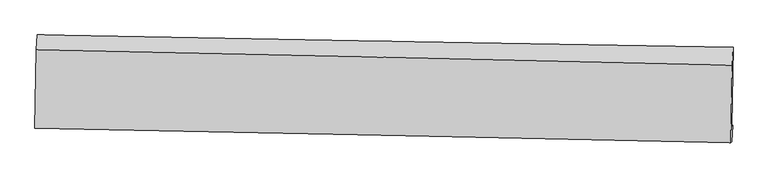
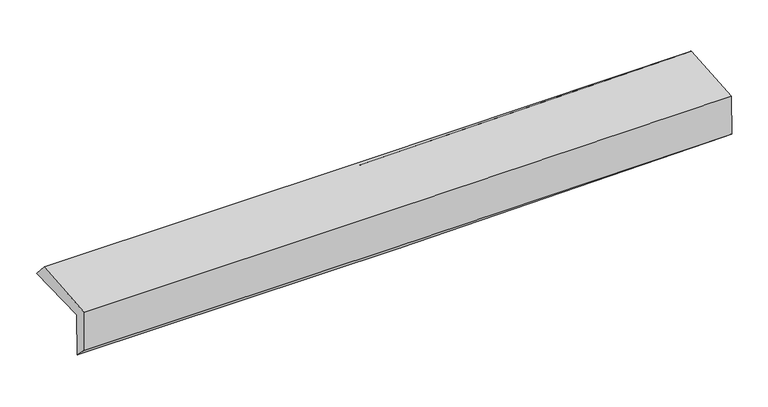
"""IFC4 building model written with IfcOpenShell, lengths in millimetres: proxy geometry."""

import ifcopenshell
import ifcopenshell.guid

model = None  # the IFC model being written
_history = None  # IfcOwnerHistory: only IFC2X3 demands one
_inside = {}  # id of a spatial element -> (the spatial element, [elements in it])
_under = {}  # id of a project, library or spatial element -> (it, [spatial elements below it])
_declared = {}  # id of a project -> (the project, [libraries it declares])
_typed = {}  # id of a type object -> (the type object, [elements of that type])
_made_of = {}  # id of a material, layer set ... -> (it, [elements and type objects made of it])


def new_model(schema):
    """Start an empty IFC model of exactly this schema.

    Asked for "IFC4X3", IfcOpenShell would pick the latest addendum, in which some entities
    have other attributes; the version numbers below select the first issue.
    IFC2X3 requires an IfcOwnerHistory on every rooted entity: one is made here for all.
    """
    global model, _history
    if schema == "IFC4X3":
        model = ifcopenshell.file(schema_version=(4, 3, 0, 0))
    else:
        model = ifcopenshell.file(schema=schema)
    _inside.clear()
    _under.clear()
    _declared.clear()
    _typed.clear()
    _made_of.clear()
    _history = None
    if model.schema == "IFC2X3":
        org = make("IfcOrganization", Name="unknown")
        user = make(
            "IfcPersonAndOrganization",
            ThePerson=make("IfcPerson", FamilyName="unknown"),
            TheOrganization=org,
        )
        app = make(
            "IfcApplication",
            ApplicationDeveloper=org,
            Version="unknown",
            ApplicationFullName="unknown",
            ApplicationIdentifier="unknown",
        )
        _history = make(
            "IfcOwnerHistory",
            OwningUser=user,
            OwningApplication=app,
            ChangeAction="ADDED",
            CreationDate=0,
        )
    return model


def make(cls, **values):
    """One entity of the class cls with the attributes given. An attribute that is None is left unset."""
    return model.create_entity(
        cls, **{name: value for name, value in values.items() if value is not None}
    )


def rooted(cls, **values):
    """An entity with a GlobalId (a new one), such as an element, a storey or a relation."""
    return make(cls, GlobalId=ifcopenshell.guid.new(), OwnerHistory=_history, **values)


def si_unit(unit_type, name, prefix=None):
    """IfcSIUnit, for example si_unit("LENGTHUNIT", "METRE", prefix="MILLI")."""
    return make("IfcSIUnit", UnitType=unit_type, Prefix=prefix, Name=name)


def assignment(units):
    """IfcUnitAssignment: the units of a project."""
    return None if units is None else make("IfcUnitAssignment", Units=units)


def point(xyz):
    """IfcCartesianPoint."""
    return None if xyz is None else make("IfcCartesianPoint", Coordinates=xyz)


def direction(xyz):
    """IfcDirection."""
    return None if xyz is None else make("IfcDirection", DirectionRatios=xyz)


def frame(location, z_axis=None, x_axis=None):
    """IfcAxis2Placement3D, a coordinate frame: its origin and axes. An axis left out is left unset."""
    return make(
        "IfcAxis2Placement3D",
        Location=point(location),
        Axis=direction(z_axis),
        RefDirection=direction(x_axis),
    )


def origin():
    """The frame at (0, 0, 0) with its axes left unset."""
    return frame((0.0, 0.0, 0.0))


def place(relative_to, where):
    """IfcLocalPlacement: puts the frame where relative to a parent placement (None: the world)."""
    return make(
        "IfcLocalPlacement", PlacementRelTo=relative_to, RelativePlacement=where
    )


def context(
    kind, dimensions, precision=None, world=None, true_north=None, identifier=None
):
    """IfcGeometricRepresentationContext, for example the 3D "Model" context."""
    return make(
        "IfcGeometricRepresentationContext",
        ContextIdentifier=identifier,
        ContextType=kind,
        CoordinateSpaceDimension=dimensions,
        Precision=precision,
        WorldCoordinateSystem=world,
        TrueNorth=true_north,
    )


def project(units=None, contexts=None):
    """IfcProject with its units and contexts."""
    return rooted(
        "IfcProject",
        Name="project",
        RepresentationContexts=contexts,
        UnitsInContext=assignment(units),
    )


def spatial(cls, under=None, at=None, **own):
    """A site, building, storey or space (cls), placed at a placement, below another one or the project."""
    s = rooted(cls, ObjectPlacement=at, **own)
    if under is not None:
        _under.setdefault(under.id(), (under, []))[1].append(s)
    return s


def shape(context_of_items, identifier, shape_type, items):
    """IfcShapeRepresentation: the items that make up one representation, for example the "Body"."""
    return make(
        "IfcShapeRepresentation",
        ContextOfItems=context_of_items,
        RepresentationIdentifier=identifier,
        RepresentationType=shape_type,
        Items=items,
    )


def source(mapping_origin, context_of_items, identifier, shape_type, items):
    """IfcRepresentationMap: a shape defined once, which mapped items show again and again."""
    return make(
        "IfcRepresentationMap",
        MappingOrigin=mapping_origin,
        MappedRepresentation=shape(context_of_items, identifier, shape_type, items),
    )


def transform(
    local_origin,
    x_axis=None,
    y_axis=None,
    z_axis=None,
    scale=None,
    scale2=None,
    scale3=None,
    uniform=True,
):
    """IfcCartesianTransformationOperator3D, or its non-uniform kind. x_axis, y_axis, z_axis: its Axis1, 2, 3."""
    if uniform:
        return make(
            "IfcCartesianTransformationOperator3D",
            Axis1=direction(x_axis),
            Axis2=direction(y_axis),
            LocalOrigin=point(local_origin),
            Scale=scale,
            Axis3=direction(z_axis),
        )
    return make(
        "IfcCartesianTransformationOperator3DnonUniform",
        Axis1=direction(x_axis),
        Axis2=direction(y_axis),
        LocalOrigin=point(local_origin),
        Scale=scale,
        Axis3=direction(z_axis),
        Scale2=scale2,
        Scale3=scale3,
    )


def mapped(mapping_source, mapping_target):
    """IfcMappedItem: shows the shape of a source again, moved by a transform."""
    return make(
        "IfcMappedItem", MappingSource=mapping_source, MappingTarget=mapping_target
    )


def made_of(thing, what):
    """Note that an element or type object is made of a material, layer set ...; save() writes the relation."""
    if what is not None:
        _made_of.setdefault(what.id(), (what, []))[1].append(thing)
    return thing


def element(
    cls,
    number,
    at=None,
    inside=None,
    cuts=None,
    type_object=None,
    material=None,
    context=None,
    identifier="Body",
    shape_type=None,
    held_by="IfcProductDefinitionShape",
    body=None,
    shapes=None,
    **own,
):
    """One element of the class cls, such as IfcWall. Its Tag is "e" and its number.

    at: its placement. inside: the storey or other place that contains it. cuts: it is an
    opening in that element (IfcRelVoidsElement). A single representation is given by context,
    identifier, shape_type and body (its items); several are given by shapes. held_by: the class
    of the entity that holds the representations. save() writes the other relations.
    """
    e = rooted(cls, Tag="e%d" % number, ObjectPlacement=at, **own)
    if body is not None:
        shapes = [shape(context, identifier, shape_type, body)]
    if shapes is not None:
        e.Representation = make(held_by, Representations=shapes)
    if inside is not None:
        _inside.setdefault(inside.id(), (inside, []))[1].append(e)
    if cuts is not None:
        rooted(
            "IfcRelVoidsElement", RelatingBuildingElement=cuts, RelatedOpeningElement=e
        )
    if type_object is not None:
        _typed.setdefault(type_object.id(), (type_object, []))[1].append(e)
    return made_of(e, material)


def aggregate(whole, parts):
    """IfcRelAggregates: a whole, such as a stair, and the parts it consists of."""
    return rooted("IfcRelAggregates", RelatingObject=whole, RelatedObjects=parts)


def save(model, path):
    """Write the relations noted so far, then the file.

    IfcRelAggregates (storeys below a building ...), IfcRelContainedInSpatialStructure (elements
    in a storey), IfcRelDefinesByType, IfcRelAssociatesMaterial and IfcRelDeclares: one each for
    every whole, place, type object, material and project.
    """
    for whole, parts in _under.values():
        aggregate(whole, parts)
    for where, things in _inside.values():
        rooted(
            "IfcRelContainedInSpatialStructure",
            RelatedElements=things,
            RelatingStructure=where,
        )
    for kind, things in _typed.values():
        rooted("IfcRelDefinesByType", RelatedObjects=things, RelatingType=kind)
    for what, things in _made_of.values():
        rooted("IfcRelAssociatesMaterial", RelatedObjects=things, RelatingMaterial=what)
    for by, libraries in _declared.values():
        rooted("IfcRelDeclares", RelatingContext=by, RelatedDefinitions=libraries)
    model.write(path)


def plane_surface(at):
    """IfcPlane: the flat surface through the origin of the frame at, square to its z axis."""
    return make("IfcPlane", Position=at)


def spline_curve(degree, points, multiplicities, knots, weights=None):
    """IfcBSplineCurveWithKnots; with weights, IfcRationalBSplineCurveWithKnots."""
    own = dict(
        Degree=degree,
        ControlPointsList=[point(p) for p in points],
        CurveForm="UNSPECIFIED",
        ClosedCurve=False,
        SelfIntersect=False,
        KnotMultiplicities=multiplicities,
        Knots=knots,
        KnotSpec="UNSPECIFIED",
    )
    if weights is None:
        return make("IfcBSplineCurveWithKnots", **own)
    return make("IfcRationalBSplineCurveWithKnots", WeightsData=weights, **own)


def spline_surface(u_degree, v_degree, points, u_multiplicities, v_multiplicities, u_knots, v_knots, weights=None):
    """IfcBSplineSurfaceWithKnots; with weights, IfcRationalBSplineSurfaceWithKnots. points: one row for each step in u."""
    own = dict(
        UDegree=u_degree,
        VDegree=v_degree,
        ControlPointsList=[[point(p) for p in row] for row in points],
        SurfaceForm="UNSPECIFIED",
        UClosed=False,
        VClosed=False,
        SelfIntersect=False,
        UMultiplicities=u_multiplicities,
        VMultiplicities=v_multiplicities,
        UKnots=u_knots,
        VKnots=v_knots,
        KnotSpec="UNSPECIFIED",
    )
    if weights is None:
        return make("IfcBSplineSurfaceWithKnots", **own)
    return make("IfcRationalBSplineSurfaceWithKnots", WeightsData=weights, **own)


def advanced_brep(points, edges, surfaces, faces):
    """IfcAdvancedBrep: a solid bounded by faces that lie on surfaces and meet in shared edges.

    An edge is (start, end): straight between two places in points (the first is 0);
    or (start, end, curve); or (start, end, curve, False) where it runs against its curve.
    A face is (place in surfaces, loops), or (place, loops, False) where it looks against
    its surface's normal. A loop lists edges by number (the first is 1), with a minus sign
    where the edge is run from its end to its start. The first loop is the outer one.
    """
    corners = [point(p) for p in points]
    vertices = [make("IfcVertexPoint", VertexGeometry=c) for c in corners]
    made = []
    for start, end, *more in edges:
        made.append(
            make(
                "IfcEdgeCurve",
                EdgeStart=vertices[start],
                EdgeEnd=vertices[end],
                EdgeGeometry=more[0] if more else make("IfcPolyline", Points=[corners[start], corners[end]]),
                SameSense=more[1] if len(more) > 1 else True,
            )
        )
    hull = []
    for where, loops, *sense in faces:
        bounds = []
        for j, loop in enumerate(loops):
            ring = [make("IfcOrientedEdge", EdgeElement=made[abs(k) - 1], Orientation=k > 0) for k in loop]
            bounds.append(
                make(
                    "IfcFaceOuterBound" if j == 0 else "IfcFaceBound",
                    Bound=make("IfcEdgeLoop", EdgeList=ring),
                    Orientation=True,
                )
            )
        hull.append(make("IfcAdvancedFace", Bounds=bounds, FaceSurface=surfaces[where], SameSense=sense[0] if sense else True))
    return make("IfcAdvancedBrep", Outer=make("IfcClosedShell", CfsFaces=hull))


def generic_models_e9e3926b(model_context):
    return source(origin(), model_context, "Body", "AdvancedBrep", [
        advanced_brep(
        [(-3013.8524356, -1755.8698638, 1975.4875995), (-3000.7736207, -1080.8202144, 1975.8046598), (3002.5848575, -1189.1704386, 2122.5897468), (2988.9603257, -1870.3537992, 2107.225859), (-3003.752495, -1746.9262718, 1570.0021444), (2998.9970144, -1861.4662173, 1704.2797991), (-3009.1845245, -1869.4131609, 1694.8960238), (2993.1227159, -2003.6366817, 1825.0034927), (-3018.9014376, -1883.7481634, 2080.465942), (2983.5557163, -2012.1083495, 2209.0927979), (-3006.7575945, -1209.3743966, 2118.4400116), (2996.4248555, -1341.2933152, 2246.6319193)],
        [
            (0, 1),
            (1, 2, spline_curve(3, [(-3000.7736207, -1080.8202144, 1975.8046598), (-2000.023147974, -1098.766242044, 1992.014196034), (-999.36357089, -1116.768522133, 2012.351200933), (1001.755918788, -1152.885265667, 2061.27971043), (2002.215834017, -1170.99972669, 2089.871068128), (3002.5848575, -1189.1704386, 2122.5897468)], [4, 2, 4], [0.0, 9.85215962791617, 19.7041432554436])),
            (2, 3),
            (3, 0, spline_curve(3, [(2988.9603257, -1870.3537992, 2107.225859), (1988.881346257, -1847.226345137, 2072.140808736), (988.611929747, -1826.12235708, 2043.620134868), (-1012.325650624, -1787.960973056, 1999.707146895), (-2012.993820973, -1770.903649215, 1984.31506786), (-3013.8524356, -1755.8698638, 1975.4875995)], [4, 2, 4], [0.0, 9.851983627527432, 19.7041432554436])),
            (4, 0),
            (3, 5),
            (5, 4, spline_curve(3, [(2998.9970144, -1861.4662173, 1704.2797991), (1998.951692205, -1838.308959178, 1667.843500353), (998.704375308, -1817.185401963, 1638.435583665), (-1002.212120597, -1779.005347407, 1593.676114137), (-2002.881306848, -1761.948922999, 1578.324812847), (-3003.752495, -1746.9262718, 1570.0021444)], [4, 2, 4], [0.0, 9.851448484116451, 19.70307295906159])),
            (6, 4),
            (5, 7),
            (7, 6, spline_curve(3, [(2993.1227159, -2003.6366817, 1825.0034927), (1992.788575149, -1984.168773758, 1798.547494081), (992.433702877, -1963.249639539, 1774.477281316), (-1008.33537645, -1918.508517626, 1731.108039704), (-2008.749584198, -1894.686478605, 1711.809096173), (-3009.1845245, -1869.4131609, 1694.8960238)], [4, 2, 4], [0.0, 9.851189031100983, 19.702554048395665])),
            (8, 6),
            (7, 9),
            (9, 8, spline_curve(3, [(2983.5557163, -2012.1083495, 2209.0927979), (1983.31597813, -1988.402970109, 2182.213825822), (982.995814958, -1965.853683628, 2158.055506552), (-1017.823233777, -1923.066913594, 2115.179790875), (-2018.322121534, -1902.829471363, 2096.462491523), (-3018.9014376, -1883.7481634, 2080.465942)], [4, 2, 4], [0.0, 9.851018685373921, 19.702213353898404])),
            (10, 8),
            (9, 11),
            (11, 10, spline_curve(3, [(2996.4248555, -1341.2933152, 2246.6319193), (1996.049678242, -1317.92665204, 2219.688010789), (995.601354495, -1295.250169026, 2195.533468242), (-1005.459459273, -1251.277171601, 2152.802732481), (-2006.071952421, -1229.980681576, 2134.226639358), (-3006.7575945, -1209.3743966, 2118.4400116)], [4, 2, 4], [0.0, 9.851672366632469, 19.703520728093167])),
            (1, 10),
            (11, 2),
        ],
        [
            spline_surface(3, 3, [[(-3013.8524356, -1755.8698638, 1975.4875995), (-2012.993821085, -1770.903649084, 1984.315067854), (-1012.325650589, -1787.960973025, 1999.707147025), (988.611929712, -1826.122357112, 2043.620134737), (1988.881346305, -1847.226344991, 2072.140808723), (2988.9603257, -1870.3537992, 2107.225859)], [(-3009.492830627, -1530.853313987, 1975.59328628), (-2008.670263414, -1546.857846692, 1986.881443918), (-1008.004957335, -1564.230156098, 2003.921831638), (992.99325936, -1601.70999329, 2049.506660044), (1993.32617558, -1621.817472239, 2078.0508952), (2993.5018363, -1643.292678989, 2112.347154937)], [(-3005.133225673, -1305.836764213, 1975.69897302), (-2004.346705763, -1322.81204434, 1989.447819942), (-1003.684264047, -1340.499339126, 2008.136516171), (997.374589043, -1377.297629422, 2055.393185272), (1997.771004854, -1396.408599518, 2083.960981666), (2998.0433469, -1416.231558811, 2117.468450863)], [(-3000.7736207, -1080.8202144, 1975.8046598), (-2000.023148092, -1098.766241948, 1992.014196006), (-999.363570793, -1116.768522199, 2012.351200784), (1001.755918691, -1152.885265601, 2061.279710579), (2002.215834128, -1170.999726766, 2089.871068144), (3002.5848575, -1189.1704386, 2122.5897468)]], [4, 4], [4, 2, 4], [0.0, 2.2064047888408025], [0.0, 9.85215962791617, 19.7041432554436]),
            spline_surface(3, 3, [[(-3003.752495, -1746.9262718, 1570.0021444), (-2002.881306793, -1761.948922961, 1578.324812789), (-1002.212120599, -1779.005347428, 1593.676114224), (998.70437531, -1817.185401942, 1638.435583578), (1998.951692264, -1838.308959273, 1667.843500373), (2998.9970144, -1861.4662173, 1704.2797991)], [(-3007.119141854, -1749.907469146, 1705.163962769), (-2006.252144877, -1764.933831681, 1713.654897813), (-1005.58329725, -1781.990555953, 1729.019791808), (995.340226789, -1820.164386991, 1773.497100615), (1995.594910304, -1841.281421164, 1802.609269828), (2995.651451526, -1864.428744585, 1838.595152405)], [(-3010.485788746, -1752.888666454, 1840.325781131), (-2009.622983, -1767.918740364, 1848.984982831), (-1008.954473938, -1784.975764501, 1864.363469441), (991.976078233, -1823.143372063, 1908.5586177), (1992.238128266, -1844.2538831, 1937.375039268), (2992.305888574, -1867.391271915, 1972.910505695)], [(-3013.8524356, -1755.8698638, 1975.4875995), (-2012.993821085, -1770.903649084, 1984.315067854), (-1012.325650589, -1787.960973025, 1999.707147025), (988.611929712, -1826.122357112, 2043.620134737), (1988.881346305, -1847.226344991, 2072.140808723), (2988.9603257, -1870.3537992, 2107.225859)]], [4, 4], [4, 2, 4], [0.0, 1.3314705489662717], [0.0, 9.851624474945138, 19.70307295906159]),
            spline_surface(3, 3, [[(-3009.1845245, -1869.4131609, 1694.8960238), (-2008.749584236, -1894.686478574, 1711.8090963), (-1008.335376472, -1918.5085177, 1731.108039736), (992.433702899, -1963.249639466, 1774.477281283), (1992.788575311, -1984.168773906, 1798.547494137), (2993.1227159, -2003.6366817, 1825.0034927)], [(-3007.373848015, -1828.58419787, 1653.264730661), (-2006.79349177, -1850.440626706, 1667.314335124), (-1006.294291193, -1872.007460925, 1685.297397893), (994.523927024, -1914.561560273, 1729.13004871), (1994.842947628, -1935.548835699, 1754.979496206), (2995.080815399, -1956.246526904, 1784.762261491)], [(-3005.563171485, -1787.75523483, 1611.633437539), (-2004.837399259, -1806.194774829, 1622.819573965), (-1004.253205877, -1825.506404203, 1639.486756066), (996.614151186, -1865.873481134, 1683.782816151), (1996.897319947, -1886.92889748, 1711.411498304), (2997.038914901, -1908.856372096, 1744.521030309)], [(-3003.752495, -1746.9262718, 1570.0021444), (-2002.881306793, -1761.948922961, 1578.324812789), (-1002.212120599, -1779.005347428, 1593.676114224), (998.70437531, -1817.185401942, 1638.435583578), (1998.951692264, -1838.308959273, 1667.843500373), (2998.9970144, -1861.4662173, 1704.2797991)]], [4, 4], [4, 2, 4], [0.0, 0.6489309797935907], [0.0, 9.851365017294683, 19.702554048395665]),
            spline_surface(3, 3, [[(-3018.9014376, -1883.7481634, 2080.465942), (-2018.322121638, -1902.829471515, 2096.462491401), (-1017.823233625, -1923.066913617, 2115.179790802), (982.995814807, -1965.853683605, 2158.055506626), (1983.315978084, -1988.40297024, 2182.213825892), (2983.5557163, -2012.1083495, 2209.0927979)], [(-3015.662466569, -1878.969829216, 1951.942635924), (-2015.13127584, -1900.115140517, 1968.244693025), (-1014.660614569, -1921.547448316, 1987.155873786), (986.141777509, -1964.985668896, 2030.196098184), (1986.473510464, -1986.99157148, 2054.325048652), (2986.744716138, -2009.284460252, 2081.063029512)], [(-3012.423495531, -1874.191495084, 1823.419329876), (-2011.940430034, -1897.400809572, 1840.026894677), (-1011.497995528, -1920.027983001, 1859.131956752), (989.287740197, -1964.117654174, 1902.336689725), (1989.631042931, -1985.580172666, 1926.436271376), (2989.933716062, -2006.460570948, 1953.033261088)], [(-3009.1845245, -1869.4131609, 1694.8960238), (-2008.749584236, -1894.686478574, 1711.8090963), (-1008.335376472, -1918.5085177, 1731.108039736), (992.433702899, -1963.249639466, 1774.477281283), (1992.788575311, -1984.168773906, 1798.547494137), (2993.1227159, -2003.6366817, 1825.0034927)]], [4, 4], [4, 2, 4], [0.0, 1.2597057942376084], [0.0, 9.851194668524483, 19.702213353898404]),
            spline_surface(3, 3, [[(-3006.7575945, -1209.3743966, 2118.4400116), (-2006.071952422, -1229.980681546, 2134.226639386), (-1005.459459411, -1251.27717154, 2152.802732576), (995.601354633, -1295.250169087, 2195.533468146), (1996.049678306, -1317.926651918, 2219.688010839), (2996.4248555, -1341.2933152, 2246.6319193)], [(-3010.805542181, -1434.16565222, 2105.781988395), (-2010.155342142, -1454.263611556, 2121.638590052), (-1009.580717464, -1475.207085564, 2140.261751975), (991.399508042, -1518.784673925, 2183.040814296), (1991.805111598, -1541.418758006, 2207.196615827), (2992.135142466, -1564.898326614, 2234.118878803)], [(-3014.853489919, -1658.95690778, 2093.123965205), (-2014.238731918, -1678.546541505, 2109.050540735), (-1013.701975572, -1699.136999593, 2127.720771404), (987.197661397, -1742.319178767, 2170.548160476), (1987.560544792, -1764.910864153, 2194.705220904), (2987.845429334, -1788.503338086, 2221.605838397)], [(-3018.9014376, -1883.7481634, 2080.465942), (-2018.322121638, -1902.829471515, 2096.462491401), (-1017.823233625, -1923.066913617, 2115.179790802), (982.995814807, -1965.853683605, 2158.055506626), (1983.315978084, -1988.40297024, 2182.213825892), (2983.5557163, -2012.1083495, 2209.0927979)]], [4, 4], [4, 2, 4], [0.0, 2.2059124934686865], [0.0, 9.851848361460698, 19.703520728093167]),
            spline_surface(3, 3, [[(-3000.7736207, -1080.8202144, 1975.8046598), (-2000.023148092, -1098.766241948, 1992.014196006), (-999.363570793, -1116.768522199, 2012.351200784), (1001.755918691, -1152.885265601, 2061.279710579), (2002.215834128, -1170.999726766, 2089.871068144), (3002.5848575, -1189.1704386, 2122.5897468)], [(-3002.768278655, -1123.671608462, 2023.349777072), (-2002.039416223, -1142.504388476, 2039.418343805), (-1001.395533677, -1161.604738653, 2059.168378047), (999.704397328, -1200.340233437, 2106.0309631), (2000.160448826, -1219.975368507, 2133.143382394), (3000.531523471, -1239.878064157, 2163.937137651)], [(-3004.762936545, -1166.523002538, 2070.894894328), (-2004.055684291, -1186.242535018, 2086.822491587), (-1003.427496528, -1206.440955086, 2105.985555313), (997.652875997, -1247.795201251, 2150.782215625), (1998.105063609, -1268.951010177, 2176.415696589), (2998.478189529, -1290.585689643, 2205.284528449)], [(-3006.7575945, -1209.3743966, 2118.4400116), (-2006.071952422, -1229.980681546, 2134.226639386), (-1005.459459411, -1251.27717154, 2152.802732576), (995.601354633, -1295.250169087, 2195.533468146), (1996.049678306, -1317.926651918, 2219.688010839), (2996.4248555, -1341.2933152, 2246.6319193)]], [4, 4], [4, 2, 4], [0.0, 0.640125446592471], [0.0, 9.852596210580709, 19.705016412973507]),
            plane_surface(frame((2993.9409142, -1713.0048003, 2035.8039358), z_axis=(0.9994901583344767, -0.020542364535436064, 0.02444247638468346), x_axis=(0.02489449424003361, 0.022044307998598765, -0.9994470034180881))),
            plane_surface(frame((-3008.8703513, -1591.0253452, 1902.5160635), z_axis=(-0.999512794121837, 0.01937665018609625, -0.024468751793338277), x_axis=(-0.019370959528625952, -0.9998122550790528, -0.00046959629399740755))),
        ],
        [
            (0, [[1, 2, 3, 4]]),
            (1, [[5, -4, 6, 7]]),
            (2, [[8, -7, 9, 10]]),
            (3, [[11, -10, 12, 13]]),
            (4, [[14, -13, 15, 16]]),
            (5, [[17, -16, 18, -2]]),
            (6, [[-12, -9, -6, -3, -18, -15]]),
            (7, [[-1, -5, -8, -11, -14, -17]]),
        ],
    ),
    ])


if __name__ == "__main__":
    model = new_model("IFC4")
    model_context = context("Model", 3, world=origin())
    ifc_project = project(units=[si_unit("LENGTHUNIT", "METRE", prefix="MILLI")], contexts=[model_context])
    site = spatial("IfcSite", under=ifc_project)
    building = spatial("IfcBuilding", under=site)
    placement = place(None, origin())
    generic_models_shape = generic_models_e9e3926b(model_context)
    element("IfcBuildingElementProxy", 1, Name="Generic Models", at=placement, inside=building, context=model_context, shape_type="MappedRepresentation", body=[
        mapped(generic_models_shape, transform((0.0, 0.0, 0.0), x_axis=(1.0, 0.0, 0.0), y_axis=(0.0, 1.0, 0.0), z_axis=(0.0, 0.0, 1.0))),
    ])
    save(model, "model.ifc")
